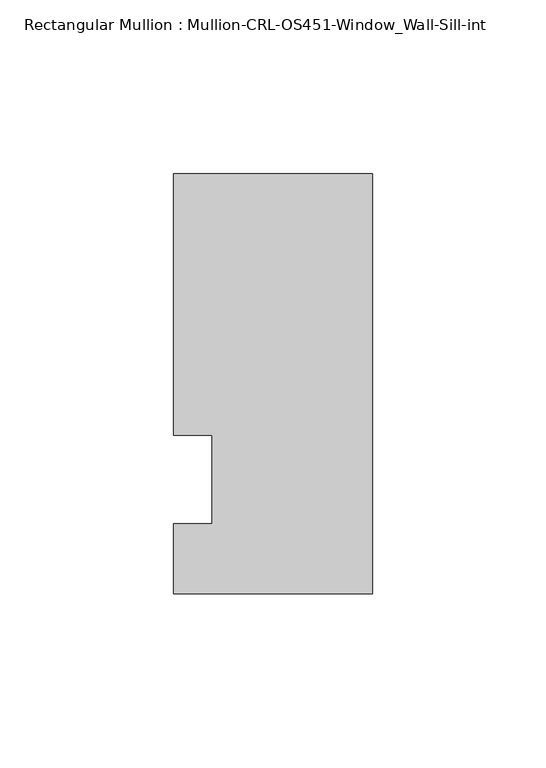
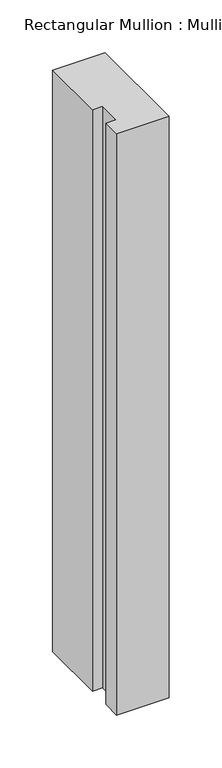
"""IFC4 building model written with IfcOpenShell, lengths in millimetres: member geometry, Rectangular Mullion : Mullion-CRL-OS451-Window_Wall-Sill-int."""

from ifc_helpers import new_model, si_unit, frame, origin, place, context, project, spatial, polyline, outline, extrude, source, transform, mapped, element, save


def rectangular_mullion_mullion_crl_os451_window_wall_sill_int_5526c295(model_context):
    return source(origin(), model_context, "Body", "SweptSolid", [
        extrude(outline(polyline([(0.0, 87.8956155), (0.0, -32.9067845), (-57.1524558, -32.9067845), (-57.1524558, -12.7), (-46.0527457, -12.7), (-46.0527457, 12.7), (-57.1524558, 12.7), (-57.1524558, 87.8956155), (0.0, 87.8956155)])), frame((0.0, 0.0, -670.5346829), z_axis=(0.0, 0.0, 1.0), x_axis=(1.0, 0.0, 0.0)), (0.0, 0.0, 1.0), 670.5346829),
    ])


if __name__ == "__main__":
    model = new_model("IFC4")
    model_context = context("Model", 3, world=origin())
    ifc_project = project(units=[si_unit("LENGTHUNIT", "METRE", prefix="MILLI")], contexts=[model_context])
    site = spatial("IfcSite", under=ifc_project)
    building = spatial("IfcBuilding", under=site)
    placement = place(None, origin())
    rectangular_mullion_mullion_crl_os451_window_wall_sill_int_shape = rectangular_mullion_mullion_crl_os451_window_wall_sill_int_5526c295(model_context)
    element("IfcMember", 1, ObjectType="Rectangular Mullion : Mullion-CRL-OS451-Window_Wall-Sill-int", at=placement, inside=building, context=model_context, shape_type="MappedRepresentation", body=[
        mapped(rectangular_mullion_mullion_crl_os451_window_wall_sill_int_shape, transform((0.0, 0.0, 0.0), x_axis=(1.0, 0.0, 0.0), y_axis=(0.0, 1.0, 0.0), z_axis=(0.0, 0.0, 1.0))),
    ])
    save(model, "model.ifc")
